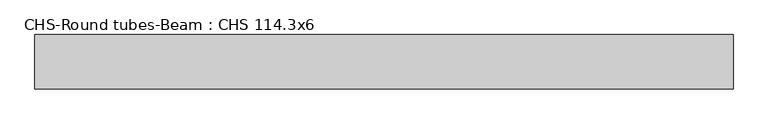
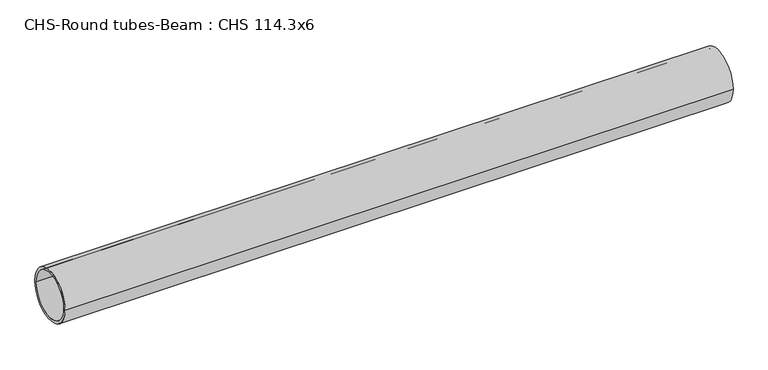
"""IFC4 building model written with IfcOpenShell, lengths in millimetres: beam geometry, CHS-Round tubes-Beam : CHS 114.3x6."""

from ifc_helpers import new_model, si_unit, point, frame, origin, origin_2d, place, context, project, spatial, circle_curve, trimmed, segment, composite_curve, outline, extrude, source, transform, mapped, element, save


def chs_round_tubes_beam_chs_114_3x6_3b114865(model_context):
    return source(origin(), model_context, "Body", "SweptSolid", [
        extrude(outline(composite_curve([segment(trimmed(circle_curve(origin_2d(), 57.15), [point((57.15, 0.0))], [point((-57.15, 0.0))], False, "CARTESIAN"), True, "CONTINUOUS"), segment(trimmed(circle_curve(origin_2d(), 57.15), [point((-57.15, 0.0))], [point((57.15, 0.0))], False, "CARTESIAN"), True, "CONTINUOUS")], self_intersect=False), holes=[composite_curve([segment(trimmed(circle_curve(origin_2d(), 51.15), [point((51.15, 0.0))], [point((-51.15, 0.0))], True, "CARTESIAN"), True, "CONTINUOUS"), segment(trimmed(circle_curve(origin_2d(), 51.15), [point((-51.15, 0.0))], [point((51.15, 0.0))], True, "CARTESIAN"), True, "CONTINUOUS")], self_intersect=False)]), frame((-702.923181, 0.0, 0.0), z_axis=(1.0, 0.0, 0.0), x_axis=(0.0, 1.0, 0.0)), (0.0, 0.0, 1.0), 1466.4102148),
    ])


if __name__ == "__main__":
    model = new_model("IFC4")
    model_context = context("Model", 3, world=origin())
    ifc_project = project(units=[si_unit("LENGTHUNIT", "METRE", prefix="MILLI")], contexts=[model_context])
    site = spatial("IfcSite", under=ifc_project)
    building = spatial("IfcBuilding", under=site)
    placement = place(None, origin())
    chs_round_tubes_beam_chs_114_3x6_shape = chs_round_tubes_beam_chs_114_3x6_3b114865(model_context)
    element("IfcBeam", 1, ObjectType="CHS-Round tubes-Beam : CHS 114.3x6", at=placement, inside=building, context=model_context, shape_type="MappedRepresentation", body=[
        mapped(chs_round_tubes_beam_chs_114_3x6_shape, transform((0.0, 0.0, 0.0), x_axis=(1.0, 0.0, 0.0), y_axis=(0.0, 1.0, 0.0), z_axis=(0.0, 0.0, 1.0))),
    ])
    save(model, "model.ifc")
